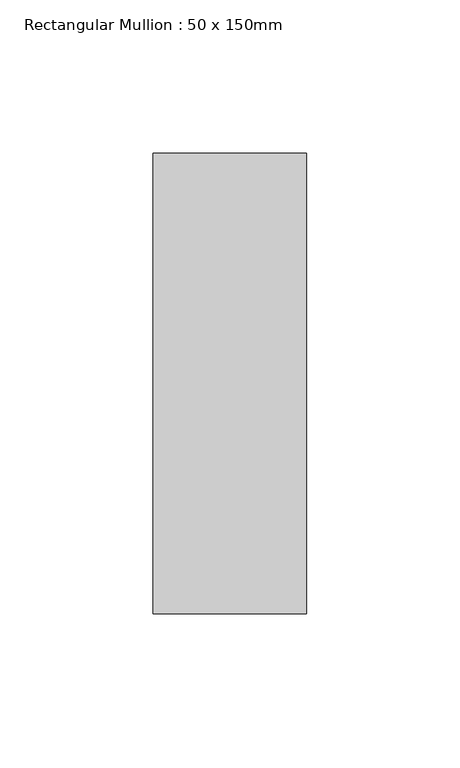
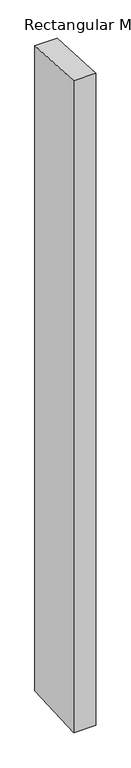
"""IFC4 building model written with IfcOpenShell, lengths in millimetres: member geometry, Rectangular Mullion : 50 x 150mm."""

from ifc_helpers import new_model, si_unit, frame, origin, place, context, project, spatial, polyline, outline, extrude, source, transform, mapped, element, save


def rectangular_mullion_50_x_150mm_42a35d02(model_context):
    return source(origin(), model_context, "Body", "SweptSolid", [
        extrude(outline(polyline([(-75.0, 3.9569839), (75.0, -3.9569839), (75.0, -1534.5432354), (-75.0, -1542.4572032), (-75.0, 3.9569839)])), frame((-50.0, 0.0, 0.0), z_axis=(1.0, 0.0, 0.0), x_axis=(0.0, 1.0, 0.0)), (0.0, 0.0, 1.0), 50.0),
    ])


if __name__ == "__main__":
    model = new_model("IFC4")
    model_context = context("Model", 3, world=origin())
    ifc_project = project(units=[si_unit("LENGTHUNIT", "METRE", prefix="MILLI")], contexts=[model_context])
    site = spatial("IfcSite", under=ifc_project)
    building = spatial("IfcBuilding", under=site)
    placement = place(None, origin())
    rectangular_mullion_50_x_150mm_shape = rectangular_mullion_50_x_150mm_42a35d02(model_context)
    element("IfcMember", 1, ObjectType="Rectangular Mullion : 50 x 150mm", at=placement, inside=building, context=model_context, shape_type="MappedRepresentation", body=[
        mapped(rectangular_mullion_50_x_150mm_shape, transform((0.0, 0.0, 0.0), x_axis=(1.0, 0.0, 0.0), y_axis=(0.0, 1.0, 0.0), z_axis=(0.0, 0.0, 1.0))),
    ])
    save(model, "model.ifc")
